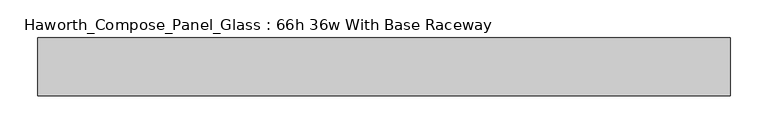
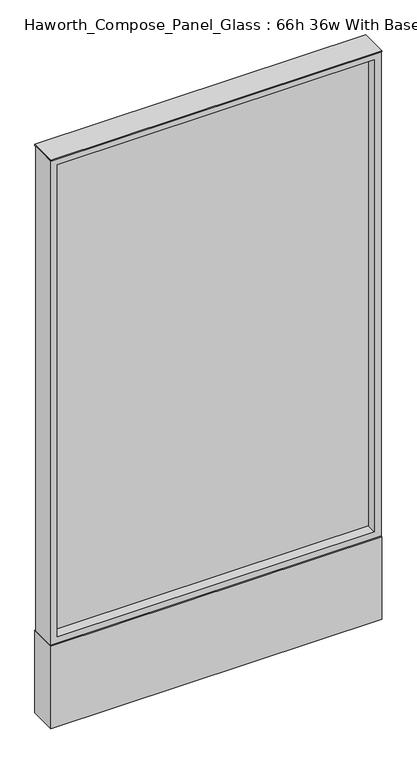
"""IFC4 building model written with IfcOpenShell, lengths in millimetres: furniture geometry, Haworth_Compose_Panel_Glass : 66h 36w With Base Raceway."""

from ifc_helpers import new_model, si_unit, point, frame, frame_2d, origin, origin_with_axes, place, context, project, spatial, polyline, circle_curve, trimmed, segment, composite_curve, outline, extrude, source, transform, mapped, element, save


def haworth_compose_panel_glass_66h_36w_with_base_raceway_6459fe10(model_context):
    return source(origin(), model_context, "Body", "SweptSolid", [
        extrude(outline(composite_curve([segment(trimmed(circle_curve(frame_2d((383.4402902, 0.0)), 12.7), [point((370.7402902, 0.0))], [point((396.1402902, 0.0))], False, "CARTESIAN"), True, "CONTINUOUS"), segment(trimmed(circle_curve(frame_2d((383.4402902, 0.0)), 12.7), [point((396.1402902, 0.0))], [point((370.7402902, 0.0))], False, "CARTESIAN"), True, "CONTINUOUS")], self_intersect=False)), origin_with_axes(), (0.0, 0.0, 1.0), 12.7),
        extrude(outline(composite_curve([segment(trimmed(circle_curve(frame_2d((-378.5597098, 0.0)), 12.7), [point((-391.2597098, 0.0))], [point((-365.8597098, 0.0))], False, "CARTESIAN"), True, "CONTINUOUS"), segment(trimmed(circle_curve(frame_2d((-378.5597098, 0.0)), 12.7), [point((-365.8597098, 0.0))], [point((-391.2597098, 0.0))], False, "CARTESIAN"), True, "CONTINUOUS")], self_intersect=False)), origin_with_axes(), (0.0, 0.0, 1.0), 12.7),
        extrude(outline(polyline([(440.5902902, -6.35), (-435.7097098, -6.35), (-435.7097098, 6.35), (440.5902902, 6.35), (440.5902902, -6.35)])), frame((0.0, 0.0, 273.05), z_axis=(0.0, 0.0, 1.0), x_axis=(1.0, 0.0, 0.0)), (0.0, 0.0, 1.0), 1377.95),
        extrude(outline(polyline([(1670.05, -454.7597098), (254.0, -454.7597098), (254.0, 459.6402902), (1670.05, 459.6402902), (1670.05, -454.7597098)]), holes=[polyline([(1651.0, 440.5902902), (273.05, 440.5902902), (273.05, -435.7097098), (1651.0, -435.7097098), (1651.0, 440.5902902)])]), frame((0.0, -34.925, 0.0), z_axis=(0.0, 1.0, 0.0), x_axis=(0.0, 0.0, 1.0)), (0.0, 0.0, 1.0), 69.85),
        extrude(outline(polyline([(-454.7597098, 38.1), (459.6402902, 38.1), (459.6402902, -38.1), (-454.7597098, -38.1), (-454.7597098, 38.1)])), frame((0.0, 0.0, 12.7), z_axis=(0.0, 0.0, 1.0), x_axis=(1.0, 0.0, 0.0)), (0.0, 0.0, 1.0), 241.3),
        extrude(outline(polyline([(-454.7597098, -38.1), (-454.7597098, 38.1), (459.6402902, 38.1), (459.6402902, -38.1), (-454.7597098, -38.1)])), frame((0.0, 0.0, 1670.05), z_axis=(0.0, 0.0, 1.0), x_axis=(1.0, 0.0, 0.0)), (0.0, 0.0, 1.0), 3.175),
    ])


if __name__ == "__main__":
    model = new_model("IFC4")
    model_context = context("Model", 3, world=origin())
    ifc_project = project(units=[si_unit("LENGTHUNIT", "METRE", prefix="MILLI")], contexts=[model_context])
    site = spatial("IfcSite", under=ifc_project)
    building = spatial("IfcBuilding", under=site)
    placement = place(None, origin())
    haworth_compose_panel_glass_66h_36w_with_base_raceway_shape = haworth_compose_panel_glass_66h_36w_with_base_raceway_6459fe10(model_context)
    element("IfcFurniture", 1, ObjectType="Haworth_Compose_Panel_Glass : 66h 36w With Base Raceway", at=placement, inside=building, context=model_context, shape_type="MappedRepresentation", body=[
        mapped(haworth_compose_panel_glass_66h_36w_with_base_raceway_shape, transform((0.0, 0.0, 0.0), x_axis=(1.0, 0.0, 0.0), y_axis=(0.0, 1.0, 0.0), z_axis=(0.0, 0.0, 1.0))),
    ])
    save(model, "model.ifc")
